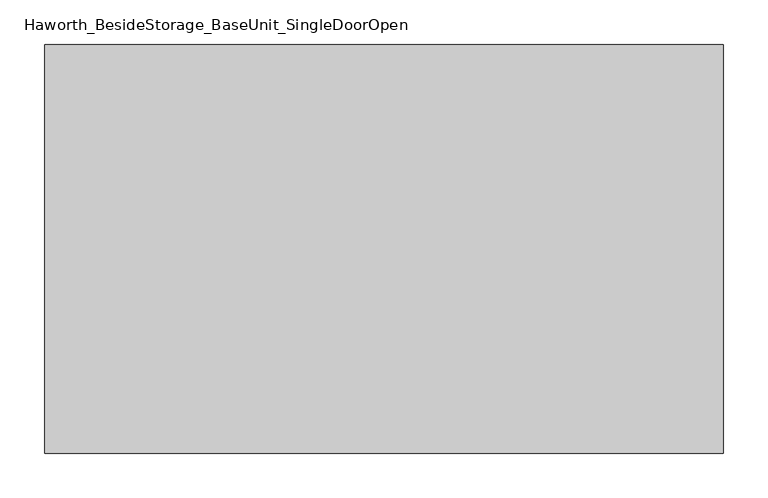
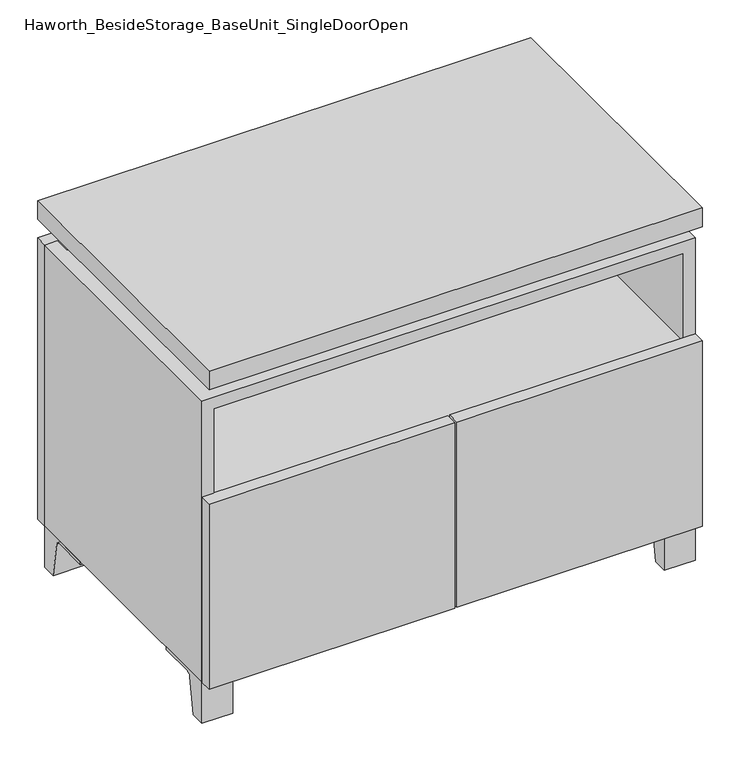
"""IFC4 building model written with IfcOpenShell, lengths in millimetres: furniture geometry, Haworth_BesideStorage_BaseUnit_SingleDoorOpen."""

from ifc_helpers import new_model, si_unit, point, frame, frame_2d, origin, place, context, project, spatial, polyline, circle_curve, trimmed, segment, composite_curve, outline, extrude, faceted_brep, source, transform, mapped, element, save


def haworth_besidestorage_baseunit_singledooropen_2168b3e1(model_context):
    return source(origin(), model_context, "Body", "SolidModel", [
        extrude(outline(composite_curve([segment(polyline([(-123.2958469, 0.0), (-146.05, 0.0), (-146.05, 66.675), (-50.8, 66.675), (-50.8, 61.8963321), (-107.6005345, 61.8963321)]), True, "CONTINUOUS"), segment(trimmed(circle_curve(frame_2d((-107.6005345, 55.5463321)), 6.35), [point((-107.6005345, 61.8963321))], [point((-113.8641359, 56.5902656))], True, "CARTESIAN"), True, "CONTINUOUS"), segment(polyline([(-113.8641359, 56.5902656), (-123.2958469, 0.0)]), True, "CONTINUOUS")], self_intersect=False)), frame((331.8013906, 0.0, 0.0), z_axis=(1.0, 0.0, 0.0), x_axis=(0.0, 1.0, 0.0)), (0.0, 0.0, 1.0), 47.625),
        extrude(outline(composite_curve([segment(polyline([(250.2958469, 0.0), (240.8641359, 56.5902656)]), True, "CONTINUOUS"), segment(trimmed(circle_curve(frame_2d((234.6005345, 55.5463321)), 6.35), [point((240.8641359, 56.5902656))], [point((234.6005345, 61.8963321))], True, "CARTESIAN"), True, "CONTINUOUS"), segment(polyline([(234.6005345, 61.8963321), (177.8, 61.8963321), (177.8, 66.675), (273.05, 66.675), (273.05, 0.0), (250.2958469, 0.0)]), True, "CONTINUOUS")], self_intersect=False)), frame((331.8013906, 0.0, 0.0), z_axis=(1.0, 0.0, 0.0), x_axis=(0.0, 1.0, 0.0)), (0.0, 0.0, 1.0), 47.625),
        extrude(outline(composite_curve([segment(polyline([(-123.2958469, 0.0), (-146.05, 0.0), (-146.05, 66.675), (-50.8, 66.675), (-50.8, 61.8963321), (-107.6005345, 61.8963321)]), True, "CONTINUOUS"), segment(trimmed(circle_curve(frame_2d((-107.6005345, 55.5463321)), 6.35), [point((-107.6005345, 61.8963321))], [point((-113.8641359, 56.5902656))], True, "CARTESIAN"), True, "CONTINUOUS"), segment(polyline([(-113.8641359, 56.5902656), (-123.2958469, 0.0)]), True, "CONTINUOUS")], self_intersect=False)), frame((-379.3986094, 0.0, 0.0), z_axis=(1.0, 0.0, 0.0), x_axis=(0.0, 1.0, 0.0)), (0.0, 0.0, 1.0), 47.625),
        extrude(outline(composite_curve([segment(polyline([(250.2958469, 0.0), (240.8641359, 56.5902656)]), True, "CONTINUOUS"), segment(trimmed(circle_curve(frame_2d((234.6005345, 55.5463321)), 6.35), [point((240.8641359, 56.5902656))], [point((234.6005345, 61.8963321))], True, "CARTESIAN"), True, "CONTINUOUS"), segment(polyline([(234.6005345, 61.8963321), (177.8, 61.8963321), (177.8, 66.675), (273.05, 66.675), (273.05, 0.0), (250.2958469, 0.0)]), True, "CONTINUOUS")], self_intersect=False)), frame((-379.3986094, 0.0, 0.0), z_axis=(1.0, 0.0, 0.0), x_axis=(0.0, 1.0, 0.0)), (0.0, 0.0, 1.0), 47.625),
        faceted_brep([(-379.3986094, -146.05, 66.675), (379.4125, -146.05, 66.675), (379.4125, -146.05, 523.875), (-379.3986094, -146.05, 523.875), (-360.3486094, -146.05, 85.725), (-360.3486094, -146.05, 504.825), (360.3694453, -146.05, 504.825), (360.3486094, -146.05, 85.725), (-379.3986094, 273.05, 66.675), (-379.3986094, 273.05, 523.875), (-360.3486094, 273.05, 523.875), (-360.3486094, 273.05, 85.725), (360.3486094, 273.05, 85.725), (360.3486094, 273.05, 523.875), (379.4125, 273.05, 523.875), (379.4125, 273.05, 66.675), (360.3486094, 247.65, 523.875), (-360.3416641, 247.65, 523.875), (-360.3486094, 247.65, 504.825), (360.3486094, 247.65, 504.825)], [[[0, 1, 2, 3], [4, 5, 6, 7]], [[8, 9, 10, 11, 12, 13, 14, 15]], [[1, 0, 8, 15]], [[2, 1, 15, 14]], [[3, 2, 14, 13, 16, 17, 10, 9]], [[0, 3, 9, 8]], [[11, 10, 17, 18, 5, 4]], [[13, 12, 7, 6, 19, 16]], [[4, 7, 12, 11]], [[6, 5, 18, 19]], [[17, 16, 19, 18]]]),
        extrude(outline(polyline([(379.4263906, -165.1), (-379.3986094, -165.1), (-379.3986094, 292.1), (379.4263906, 292.1), (379.4263906, -165.1)])), frame((0.0, 0.0, 554.0375), z_axis=(0.0, 0.0, 1.0), x_axis=(1.0, 0.0, 0.0)), (0.0, 0.0, 1.0), 30.1625),
        faceted_brep([(7.9513906, -69.85, 554.0375), (7.9513906, -69.85, 523.875), (7.9513906, 53.975, 523.875), (7.9513906, 53.975, 554.0375), (7.9513906, 196.85, 523.875), (7.9513906, 196.85, 554.0375), (7.9513906, 73.025, 554.0375), (7.9513906, 73.025, 523.875), (-7.9236094, 196.85, 554.0375), (-7.9236094, 196.85, 523.875), (-7.9236094, 73.025, 523.875), (-7.9236094, 73.025, 554.0375), (-7.9236094, -69.85, 523.875), (-7.9236094, -69.85, 554.0375), (-7.9236094, 53.975, 554.0375), (-7.9236094, 53.975, 523.875), (-338.0958281, 73.025, 554.0375), (-338.1166641, 247.65, 554.0375), (-353.9916641, 247.65, 554.0375), (-353.9916641, -120.65, 554.0375), (-338.1166641, -120.65, 554.0375), (-338.1166641, 53.975, 554.0375), (338.1236094, 53.975, 554.0375), (338.1236094, -120.65, 554.0375), (353.9986094, -120.65, 554.0375), (353.9986094, 247.65, 554.0375), (338.1236094, 247.65, 554.0375), (338.1236094, 73.025, 554.0375), (-338.0958281, 53.975, 523.875), (-338.1166641, -120.65, 523.875), (-353.9916641, -120.65, 523.875), (-353.9916641, 247.65, 523.875), (-338.1166641, 247.65, 523.875), (-338.1166641, 73.025, 523.875), (338.1236094, 73.025, 523.875), (338.1236094, 247.65, 523.875), (353.9986094, 247.65, 523.875), (353.9986094, -120.65, 523.875), (338.1236094, -120.65, 523.875), (338.1236094, 53.975, 523.875)], [[[0, 1, 2, 3]], [[4, 5, 6, 7]], [[8, 9, 10, 11]], [[12, 13, 14, 15]], [[5, 8, 11, 16, 17, 18, 19, 20, 21, 14, 13, 0, 3, 22, 23, 24, 25, 26, 27, 6]], [[1, 12, 15, 28, 29, 30, 31, 32, 33, 10, 9, 4, 7, 34, 35, 36, 37, 38, 39, 2]], [[5, 4, 9, 8]], [[1, 0, 13, 12]], [[6, 27, 34, 7]], [[22, 3, 2, 39]], [[20, 29, 28, 21]], [[32, 17, 16, 33]], [[18, 31, 30, 19]], [[29, 20, 19, 30]], [[17, 32, 31, 18]], [[26, 35, 34, 27]], [[38, 23, 22, 39]], [[25, 24, 37, 36]], [[23, 38, 37, 24]], [[35, 26, 25, 36]], [[16, 11, 10, 33]], [[14, 21, 28, 15]]]),
        extrude(outline(polyline([(379.4263906, 273.05), (-379.3986094, 273.05), (-379.3986094, 292.1), (379.4263906, 292.1), (379.4263906, 273.05)])), frame((0.0, 0.0, 66.675), z_axis=(0.0, 0.0, 1.0), x_axis=(1.0, 0.0, 0.0)), (0.0, 0.0, 1.0), 457.2),
        extrude(outline(polyline([(-360.3416641, 203.2), (-360.3416641, 209.55), (360.3694453, 209.55), (360.3694453, 203.2), (-360.3416641, 203.2)])), frame((0.0, 0.0, 85.725), z_axis=(0.0, 0.0, 1.0), x_axis=(1.0, 0.0, 0.0)), (0.0, 0.0, 1.0), 419.1),
        extrude(outline(polyline([(1.6013906, -165.1), (1.6013906, -146.05), (379.4263906, -146.05), (379.4263906, -165.1), (1.6013906, -165.1)])), frame((0.0, 0.0, 66.675), z_axis=(0.0, 0.0, 1.0), x_axis=(1.0, 0.0, 0.0)), (0.0, 0.0, 1.0), 301.625),
        extrude(outline(polyline([(-1.5736094, -165.1), (-379.3986094, -165.1), (-379.3986094, -146.05), (-1.5736094, -146.05), (-1.5736094, -165.1)])), frame((0.0, 0.0, 66.675), z_axis=(0.0, 0.0, 1.0), x_axis=(1.0, 0.0, 0.0)), (0.0, 0.0, 1.0), 301.625),
        extrude(outline(polyline([(360.3486094, 203.2), (360.3486094, -146.05), (-360.3486094, -146.05), (-360.3486094, 203.2), (360.3486094, 203.2)])), frame((0.0, 0.0, 344.4875), z_axis=(0.0, 0.0, 1.0), x_axis=(1.0, 0.0, 0.0)), (0.0, 0.0, 1.0), 19.05),
    ])


if __name__ == "__main__":
    model = new_model("IFC4")
    model_context = context("Model", 3, world=origin())
    ifc_project = project(units=[si_unit("LENGTHUNIT", "METRE", prefix="MILLI")], contexts=[model_context])
    site = spatial("IfcSite", under=ifc_project)
    building = spatial("IfcBuilding", under=site)
    placement = place(None, origin())
    haworth_besidestorage_baseunit_singledooropen_shape = haworth_besidestorage_baseunit_singledooropen_2168b3e1(model_context)
    element("IfcFurniture", 1, ObjectType="Haworth_BesideStorage_BaseUnit_SingleDoorOpen", at=placement, inside=building, context=model_context, shape_type="MappedRepresentation", body=[
        mapped(haworth_besidestorage_baseunit_singledooropen_shape, transform((0.0, 0.0, 0.0), x_axis=(1.0, 0.0, 0.0), y_axis=(0.0, 1.0, 0.0), z_axis=(0.0, 0.0, 1.0))),
    ])
    save(model, "model.ifc")
